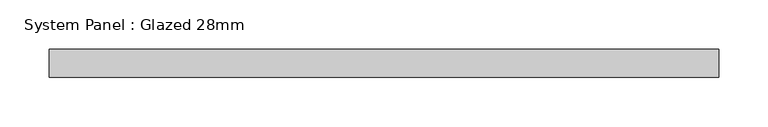
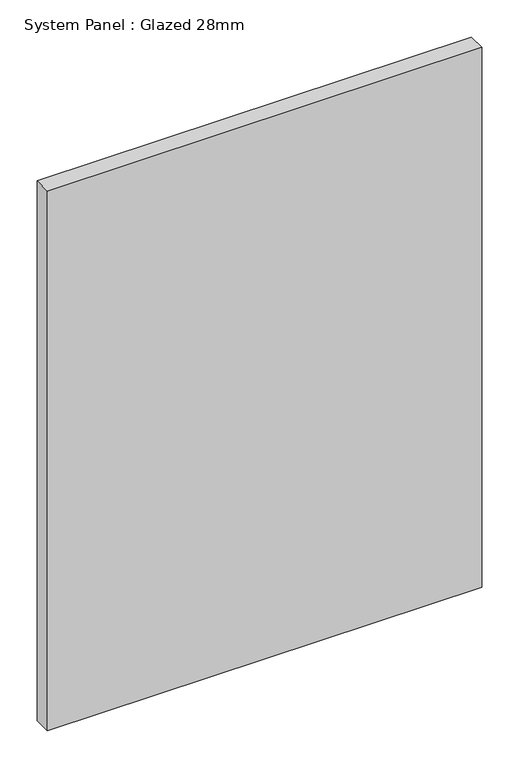
"""IFC4 building model written with IfcOpenShell, lengths in millimetres: plate geometry, System Panel : Glazed 28mm."""

import ifcopenshell
import ifcopenshell.guid

model = None  # the IFC model being written
_history = None  # IfcOwnerHistory: only IFC2X3 demands one
_inside = {}  # id of a spatial element -> (the spatial element, [elements in it])
_under = {}  # id of a project, library or spatial element -> (it, [spatial elements below it])
_declared = {}  # id of a project -> (the project, [libraries it declares])
_typed = {}  # id of a type object -> (the type object, [elements of that type])
_made_of = {}  # id of a material, layer set ... -> (it, [elements and type objects made of it])


def new_model(schema):
    """Start an empty IFC model of exactly this schema.

    Asked for "IFC4X3", IfcOpenShell would pick the latest addendum, in which some entities
    have other attributes; the version numbers below select the first issue.
    IFC2X3 requires an IfcOwnerHistory on every rooted entity: one is made here for all.
    """
    global model, _history
    if schema == "IFC4X3":
        model = ifcopenshell.file(schema_version=(4, 3, 0, 0))
    else:
        model = ifcopenshell.file(schema=schema)
    _inside.clear()
    _under.clear()
    _declared.clear()
    _typed.clear()
    _made_of.clear()
    _history = None
    if model.schema == "IFC2X3":
        org = make("IfcOrganization", Name="unknown")
        user = make(
            "IfcPersonAndOrganization",
            ThePerson=make("IfcPerson", FamilyName="unknown"),
            TheOrganization=org,
        )
        app = make(
            "IfcApplication",
            ApplicationDeveloper=org,
            Version="unknown",
            ApplicationFullName="unknown",
            ApplicationIdentifier="unknown",
        )
        _history = make(
            "IfcOwnerHistory",
            OwningUser=user,
            OwningApplication=app,
            ChangeAction="ADDED",
            CreationDate=0,
        )
    return model


def make(cls, **values):
    """One entity of the class cls with the attributes given. An attribute that is None is left unset."""
    return model.create_entity(
        cls, **{name: value for name, value in values.items() if value is not None}
    )


def rooted(cls, **values):
    """An entity with a GlobalId (a new one), such as an element, a storey or a relation."""
    return make(cls, GlobalId=ifcopenshell.guid.new(), OwnerHistory=_history, **values)


def si_unit(unit_type, name, prefix=None):
    """IfcSIUnit, for example si_unit("LENGTHUNIT", "METRE", prefix="MILLI")."""
    return make("IfcSIUnit", UnitType=unit_type, Prefix=prefix, Name=name)


def assignment(units):
    """IfcUnitAssignment: the units of a project."""
    return None if units is None else make("IfcUnitAssignment", Units=units)


def point(xyz):
    """IfcCartesianPoint."""
    return None if xyz is None else make("IfcCartesianPoint", Coordinates=xyz)


def direction(xyz):
    """IfcDirection."""
    return None if xyz is None else make("IfcDirection", DirectionRatios=xyz)


def frame(location, z_axis=None, x_axis=None):
    """IfcAxis2Placement3D, a coordinate frame: its origin and axes. An axis left out is left unset."""
    return make(
        "IfcAxis2Placement3D",
        Location=point(location),
        Axis=direction(z_axis),
        RefDirection=direction(x_axis),
    )


def origin():
    """The frame at (0, 0, 0) with its axes left unset."""
    return frame((0.0, 0.0, 0.0))


def origin_with_axes():
    """The frame at (0, 0, 0) with the z axis (0, 0, 1) and the x axis (1, 0, 0) written out."""
    return frame((0.0, 0.0, 0.0), z_axis=(0.0, 0.0, 1.0), x_axis=(1.0, 0.0, 0.0))


def place(relative_to, where):
    """IfcLocalPlacement: puts the frame where relative to a parent placement (None: the world)."""
    return make(
        "IfcLocalPlacement", PlacementRelTo=relative_to, RelativePlacement=where
    )


def context(
    kind, dimensions, precision=None, world=None, true_north=None, identifier=None
):
    """IfcGeometricRepresentationContext, for example the 3D "Model" context."""
    return make(
        "IfcGeometricRepresentationContext",
        ContextIdentifier=identifier,
        ContextType=kind,
        CoordinateSpaceDimension=dimensions,
        Precision=precision,
        WorldCoordinateSystem=world,
        TrueNorth=true_north,
    )


def project(units=None, contexts=None):
    """IfcProject with its units and contexts."""
    return rooted(
        "IfcProject",
        Name="project",
        RepresentationContexts=contexts,
        UnitsInContext=assignment(units),
    )


def spatial(cls, under=None, at=None, **own):
    """A site, building, storey or space (cls), placed at a placement, below another one or the project."""
    s = rooted(cls, ObjectPlacement=at, **own)
    if under is not None:
        _under.setdefault(under.id(), (under, []))[1].append(s)
    return s


def polyline(points):
    """IfcPolyline through the points."""
    return make("IfcPolyline", Points=[point(p) for p in points])


def outline(outer, holes=None, kind="AREA"):
    """IfcArbitraryClosedProfileDef: a profile drawn as a closed curve; with holes, ...WithVoids."""
    if holes is None:
        return make("IfcArbitraryClosedProfileDef", ProfileType=kind, OuterCurve=outer)
    return make(
        "IfcArbitraryProfileDefWithVoids",
        ProfileType=kind,
        OuterCurve=outer,
        InnerCurves=holes,
    )


def extrude(swept, where, along, depth):
    """IfcExtrudedAreaSolid: the profile swept, set in the frame where, extruded along a direction by depth."""
    return make(
        "IfcExtrudedAreaSolid",
        SweptArea=swept,
        Position=where,
        ExtrudedDirection=direction(along),
        Depth=depth,
    )


def shape(context_of_items, identifier, shape_type, items):
    """IfcShapeRepresentation: the items that make up one representation, for example the "Body"."""
    return make(
        "IfcShapeRepresentation",
        ContextOfItems=context_of_items,
        RepresentationIdentifier=identifier,
        RepresentationType=shape_type,
        Items=items,
    )


def source(mapping_origin, context_of_items, identifier, shape_type, items):
    """IfcRepresentationMap: a shape defined once, which mapped items show again and again."""
    return make(
        "IfcRepresentationMap",
        MappingOrigin=mapping_origin,
        MappedRepresentation=shape(context_of_items, identifier, shape_type, items),
    )


def transform(
    local_origin,
    x_axis=None,
    y_axis=None,
    z_axis=None,
    scale=None,
    scale2=None,
    scale3=None,
    uniform=True,
):
    """IfcCartesianTransformationOperator3D, or its non-uniform kind. x_axis, y_axis, z_axis: its Axis1, 2, 3."""
    if uniform:
        return make(
            "IfcCartesianTransformationOperator3D",
            Axis1=direction(x_axis),
            Axis2=direction(y_axis),
            LocalOrigin=point(local_origin),
            Scale=scale,
            Axis3=direction(z_axis),
        )
    return make(
        "IfcCartesianTransformationOperator3DnonUniform",
        Axis1=direction(x_axis),
        Axis2=direction(y_axis),
        LocalOrigin=point(local_origin),
        Scale=scale,
        Axis3=direction(z_axis),
        Scale2=scale2,
        Scale3=scale3,
    )


def mapped(mapping_source, mapping_target):
    """IfcMappedItem: shows the shape of a source again, moved by a transform."""
    return make(
        "IfcMappedItem", MappingSource=mapping_source, MappingTarget=mapping_target
    )


def made_of(thing, what):
    """Note that an element or type object is made of a material, layer set ...; save() writes the relation."""
    if what is not None:
        _made_of.setdefault(what.id(), (what, []))[1].append(thing)
    return thing


def element(
    cls,
    number,
    at=None,
    inside=None,
    cuts=None,
    type_object=None,
    material=None,
    context=None,
    identifier="Body",
    shape_type=None,
    held_by="IfcProductDefinitionShape",
    body=None,
    shapes=None,
    **own,
):
    """One element of the class cls, such as IfcWall. Its Tag is "e" and its number.

    at: its placement. inside: the storey or other place that contains it. cuts: it is an
    opening in that element (IfcRelVoidsElement). A single representation is given by context,
    identifier, shape_type and body (its items); several are given by shapes. held_by: the class
    of the entity that holds the representations. save() writes the other relations.
    """
    e = rooted(cls, Tag="e%d" % number, ObjectPlacement=at, **own)
    if body is not None:
        shapes = [shape(context, identifier, shape_type, body)]
    if shapes is not None:
        e.Representation = make(held_by, Representations=shapes)
    if inside is not None:
        _inside.setdefault(inside.id(), (inside, []))[1].append(e)
    if cuts is not None:
        rooted(
            "IfcRelVoidsElement", RelatingBuildingElement=cuts, RelatedOpeningElement=e
        )
    if type_object is not None:
        _typed.setdefault(type_object.id(), (type_object, []))[1].append(e)
    return made_of(e, material)


def aggregate(whole, parts):
    """IfcRelAggregates: a whole, such as a stair, and the parts it consists of."""
    return rooted("IfcRelAggregates", RelatingObject=whole, RelatedObjects=parts)


def save(model, path):
    """Write the relations noted so far, then the file.

    IfcRelAggregates (storeys below a building ...), IfcRelContainedInSpatialStructure (elements
    in a storey), IfcRelDefinesByType, IfcRelAssociatesMaterial and IfcRelDeclares: one each for
    every whole, place, type object, material and project.
    """
    for whole, parts in _under.values():
        aggregate(whole, parts)
    for where, things in _inside.values():
        rooted(
            "IfcRelContainedInSpatialStructure",
            RelatedElements=things,
            RelatingStructure=where,
        )
    for kind, things in _typed.values():
        rooted("IfcRelDefinesByType", RelatedObjects=things, RelatingType=kind)
    for what, things in _made_of.values():
        rooted("IfcRelAssociatesMaterial", RelatedObjects=things, RelatingMaterial=what)
    for by, libraries in _declared.values():
        rooted("IfcRelDeclares", RelatingContext=by, RelatedDefinitions=libraries)
    model.write(path)


def system_panel_glazed_28mm_c53d95fb(model_context):
    return source(origin(), model_context, "Body", "SweptSolid", [
        extrude(outline(polyline([(337.9561669, -14.0), (-337.9561669, -14.0), (-337.9561669, 14.0), (337.9561669, 14.0), (337.9561669, -14.0)])), origin_with_axes(), (0.0, 0.0, 1.0), 887.6823429),
    ])


if __name__ == "__main__":
    model = new_model("IFC4")
    model_context = context("Model", 3, world=origin())
    ifc_project = project(units=[si_unit("LENGTHUNIT", "METRE", prefix="MILLI")], contexts=[model_context])
    site = spatial("IfcSite", under=ifc_project)
    building = spatial("IfcBuilding", under=site)
    placement = place(None, origin())
    system_panel_glazed_28mm_shape = system_panel_glazed_28mm_c53d95fb(model_context)
    element("IfcPlate", 1, ObjectType="System Panel : Glazed 28mm", at=placement, inside=building, context=model_context, shape_type="MappedRepresentation", body=[
        mapped(system_panel_glazed_28mm_shape, transform((0.0, 0.0, 0.0), x_axis=(1.0, 0.0, 0.0), y_axis=(0.0, 1.0, 0.0), z_axis=(0.0, 0.0, 1.0))),
    ])
    save(model, "model.ifc")
